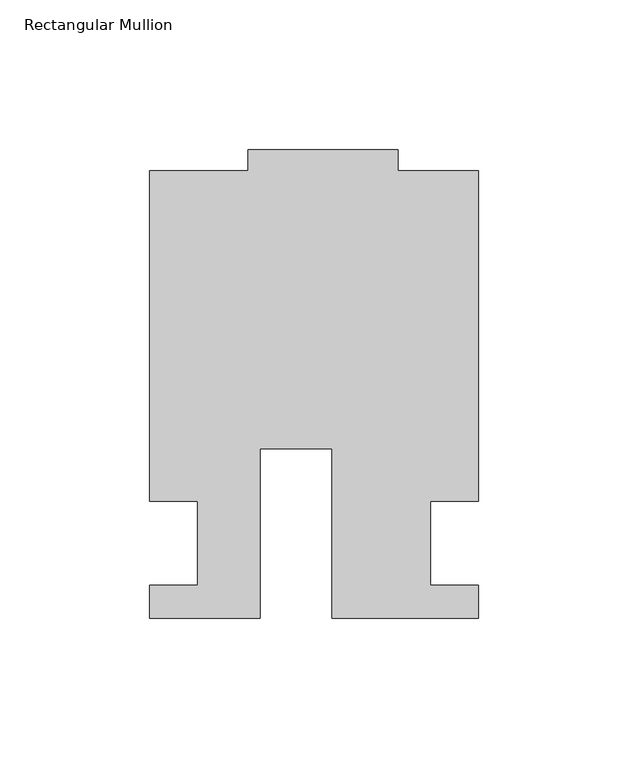
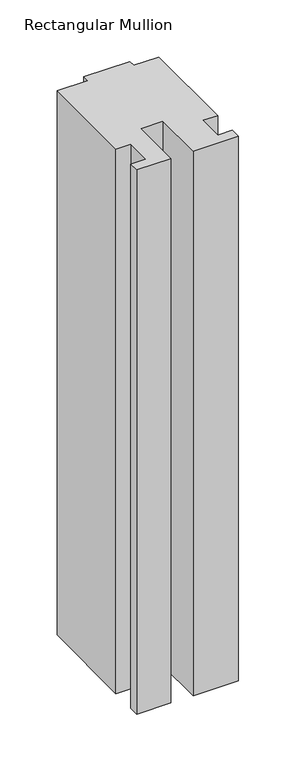
"""IFC4 building model written with IfcOpenShell, lengths in millimetres: member geometry, Rectangular Mullion."""

from ifc_helpers import new_model, si_unit, frame, origin, place, context, project, spatial, polyline, outline, extrude, source, transform, mapped, element, save


def rectangular_mullion_64ac1621(model_context):
    return source(origin(), model_context, "Body", "SweptSolid", [
        extrude(outline(polyline([(-24.0309529, -25.0), (-60.9971154, -25.0), (-60.9971154, -14.0), (-44.9942308, -14.0), (-44.9942308, 13.9998907), (-60.9971154, 13.9998907), (-60.9971154, 124.4999439), (-27.9971154, 124.4999439), (-27.9971154, 131.5), (22.0028846, 131.5), (22.0028846, 124.5), (49.0, 124.5), (49.0, 14.0), (33.0, 14.0), (33.0, -14.0), (49.0, -14.0), (49.0, -25.0), (0.0028846, -25.0), (0.0028846, 31.6008577), (-24.0309529, 31.6008577), (-24.0309529, -25.0)])), frame((0.0, 0.0, -623.7213291), z_axis=(0.0, 0.0, 1.0), x_axis=(1.0, 0.0, 0.0)), (0.0, 0.0, 1.0), 623.7213291),
    ])


if __name__ == "__main__":
    model = new_model("IFC4")
    model_context = context("Model", 3, world=origin())
    ifc_project = project(units=[si_unit("LENGTHUNIT", "METRE", prefix="MILLI")], contexts=[model_context])
    site = spatial("IfcSite", under=ifc_project)
    building = spatial("IfcBuilding", under=site)
    placement = place(None, origin())
    rectangular_mullion_shape = rectangular_mullion_64ac1621(model_context)
    element("IfcMember", 1, ObjectType="Rectangular Mullion", at=placement, inside=building, context=model_context, shape_type="MappedRepresentation", body=[
        mapped(rectangular_mullion_shape, transform((0.0, 0.0, 0.0), x_axis=(1.0, 0.0, 0.0), y_axis=(0.0, 1.0, 0.0), z_axis=(0.0, 0.0, 1.0))),
    ])
    save(model, "model.ifc")
